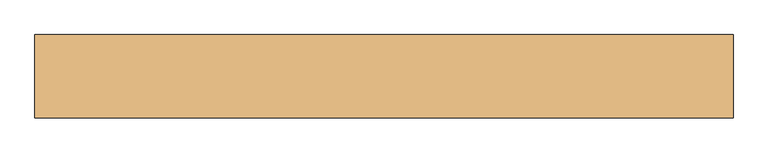
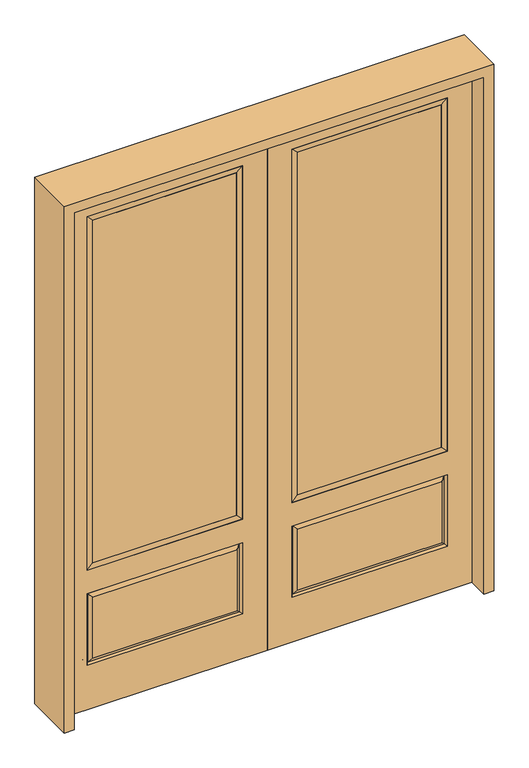
"""IFC4 building model written with IfcOpenShell, lengths in millimetres: door geometry."""

from ifc_helpers import new_model, si_unit, frame, origin, place, context, project, spatial, polyline, outline, extrude, faceted_brep, source, transform, mapped, element, save


def door_d69740e2(model_context):
    return source(origin(), model_context, "Body", "SolidModel", [
        extrude(outline(polyline([(136.525, -20.32), (136.525, 5.08), (777.875, 5.08), (777.875, -20.32), (136.525, -20.32)])), frame((0.0, 0.0, 682.498), z_axis=(0.0, 0.0, 1.0), x_axis=(1.0, 0.0, 0.0)), (0.0, 0.0, 1.0), 1616.202),
        faceted_brep([(796.1661499, -12.7912373, 216.6588501), (778.66875, -22.225, 234.15625), (135.73125, -22.225, 234.15625), (118.2338501, -12.7912373, 216.6588501), (111.125, -22.225, 209.55), (803.275, -22.225, 209.55), (803.275, -22.225, 546.1), (796.1661499, -12.7912373, 538.9911499), (0.0, -22.225, 2438.4), (0.0, -22.225, 0.0), (914.4, -22.225, 0.0), (914.4, -22.225, 2438.4), (111.125, -22.225, 546.1), (111.125, -22.225, 2324.1), (803.275, -22.225, 2324.1), (803.275, -22.225, 657.098), (111.125, -22.225, 657.098), (778.66875, -22.225, 521.49375), (135.73125, -22.225, 521.49375), (118.2338501, -12.7912373, 538.9911499), (914.4, 22.225, 0.0), (914.4, 22.225, 2438.4), (0.0, 22.225, 0.0), (0.0, 22.225, 2438.4), (111.125, 22.225, 657.098), (111.125, 22.225, 2324.1), (803.275, 22.225, 657.098), (803.275, 22.225, 2324.1), (135.73125, 22.225, 234.15625), (135.73125, 22.225, 521.49375), (778.66875, 22.225, 521.49375), (778.66875, 22.225, 234.15625), (803.275, 22.225, 209.55), (803.275, 22.225, 546.1), (111.125, 22.225, 546.1), (111.125, 22.225, 209.55), (118.2338501, 12.7912373, 216.6588501), (796.1661499, 12.7912373, 216.6588501), (118.2338501, 12.7912373, 538.9911499), (796.1661499, 12.7912373, 538.9911499)], [[[0, 1, 2, 3]], [[3, 4, 5, 0]], [[5, 6, 7, 0]], [[8, 9, 10, 11], [4, 12, 6, 5], [13, 14, 15, 16]], [[1, 17, 18, 2]], [[3, 19, 12, 4]], [[2, 18, 19, 3]], [[0, 7, 17, 1]], [[6, 12, 19, 7]], [[7, 19, 18, 17]], [[10, 20, 21, 11]], [[9, 22, 20, 10]], [[8, 23, 22, 9]], [[16, 24, 25, 13]], [[15, 26, 24, 16]], [[14, 27, 26, 15]], [[28, 29, 30, 31]], [[23, 21, 20, 22], [25, 24, 26, 27], [32, 33, 34, 35]], [[32, 35, 36, 37]], [[35, 34, 38, 36]], [[39, 38, 34, 33]], [[37, 39, 33, 32]], [[36, 28, 31, 37]], [[31, 30, 39, 37]], [[30, 29, 38, 39]], [[36, 38, 29, 28]], [[11, 21, 23, 8]], [[13, 25, 27, 14]]]),
        faceted_brep([(803.275, -22.225, 2324.1), (803.275, -22.225, 657.098), (803.275, 22.225, 657.098), (803.275, 22.225, 2324.1), (111.125, -22.225, 657.098), (111.125, 22.225, 657.098), (136.525, 5.08, 682.498), (777.875, 5.08, 682.498), (111.125, -22.225, 2324.1), (111.125, 22.225, 2324.1), (777.875, -20.32, 682.498), (136.525, -20.32, 682.498), (777.875, -20.32, 2298.7), (136.525, -20.32, 2298.7), (777.875, 5.08, 2298.7), (136.525, 5.08, 2298.7)], [[[0, 1, 2, 3]], [[1, 4, 5, 2]], [[2, 5, 6, 7]], [[4, 8, 9, 5]], [[10, 11, 4, 1]], [[12, 10, 1, 0]], [[11, 13, 8, 4]], [[7, 6, 11, 10]], [[14, 7, 10, 12]], [[6, 15, 13, 11]], [[3, 2, 7, 14]], [[5, 9, 15, 6]], [[8, 0, 3, 9]], [[13, 12, 0, 8]], [[15, 14, 12, 13]], [[9, 3, 14, 15]]]),
        extrude(outline(polyline([(-136.525, -20.32), (-777.875, -20.32), (-777.875, 5.08), (-136.525, 5.08), (-136.525, -20.32)])), frame((0.0, 0.0, 682.498), z_axis=(0.0, 0.0, 1.0), x_axis=(1.0, 0.0, 0.0)), (0.0, 0.0, 1.0), 1616.202),
        faceted_brep([(-796.1661499, -12.7912373, 216.6588501), (-118.2338501, -12.7912373, 216.6588501), (-135.73125, -22.225, 234.15625), (-778.66875, -22.225, 234.15625), (-803.275, -22.225, 209.55), (-111.125, -22.225, 209.55), (-796.1661499, -12.7912373, 538.9911499), (-803.275, -22.225, 546.1), (-135.73125, -22.225, 521.49375), (-778.66875, -22.225, 521.49375), (0.0, -22.225, 2438.4), (-914.4, -22.225, 2438.4), (-914.4, -22.225, 0.0), (0.0, -22.225, 0.0), (-111.125, -22.225, 546.1), (-111.125, -22.225, 2324.1), (-111.125, -22.225, 657.098), (-803.275, -22.225, 657.098), (-803.275, -22.225, 2324.1), (-118.2338501, -12.7912373, 538.9911499), (-914.4, 22.225, 2438.4), (-914.4, 22.225, 0.0), (0.0, 22.225, 0.0), (0.0, 22.225, 2438.4), (-111.125, 22.225, 2324.1), (-111.125, 22.225, 657.098), (-803.275, 22.225, 657.098), (-803.275, 22.225, 2324.1), (-803.275, 22.225, 209.55), (-111.125, 22.225, 209.55), (-111.125, 22.225, 546.1), (-803.275, 22.225, 546.1), (-135.73125, 22.225, 234.15625), (-778.66875, 22.225, 234.15625), (-778.66875, 22.225, 521.49375), (-135.73125, 22.225, 521.49375), (-796.1661499, 12.7912373, 216.6588501), (-118.2338501, 12.7912373, 216.6588501), (-118.2338501, 12.7912373, 538.9911499), (-796.1661499, 12.7912373, 538.9911499)], [[[0, 1, 2, 3]], [[1, 0, 4, 5]], [[4, 0, 6, 7]], [[3, 2, 8, 9]], [[10, 11, 12, 13], [5, 4, 7, 14], [15, 16, 17, 18]], [[1, 5, 14, 19]], [[2, 1, 19, 8]], [[0, 3, 9, 6]], [[7, 6, 19, 14]], [[6, 9, 8, 19]], [[12, 11, 20, 21]], [[13, 12, 21, 22]], [[10, 13, 22, 23]], [[16, 15, 24, 25]], [[17, 16, 25, 26]], [[18, 17, 26, 27]], [[23, 22, 21, 20], [28, 29, 30, 31], [24, 27, 26, 25]], [[32, 33, 34, 35]], [[28, 36, 37, 29]], [[29, 37, 38, 30]], [[39, 31, 30, 38]], [[36, 28, 31, 39]], [[37, 36, 33, 32]], [[33, 36, 39, 34]], [[34, 39, 38, 35]], [[37, 32, 35, 38]], [[11, 10, 23, 20]], [[15, 18, 27, 24]]]),
        faceted_brep([(-803.275, -22.225, 2324.1), (-803.275, 22.225, 2324.1), (-803.275, 22.225, 657.098), (-803.275, -22.225, 657.098), (-111.125, 22.225, 657.098), (-111.125, -22.225, 657.098), (-777.875, 5.08, 682.498), (-136.525, 5.08, 682.498), (-111.125, 22.225, 2324.1), (-111.125, -22.225, 2324.1), (-777.875, -20.32, 682.498), (-136.525, -20.32, 682.498), (-777.875, -20.32, 2298.7), (-136.525, -20.32, 2298.7), (-777.875, 5.08, 2298.7), (-136.525, 5.08, 2298.7)], [[[0, 1, 2, 3]], [[3, 2, 4, 5]], [[2, 6, 7, 4]], [[5, 4, 8, 9]], [[10, 3, 5, 11]], [[12, 0, 3, 10]], [[11, 5, 9, 13]], [[6, 10, 11, 7]], [[14, 12, 10, 6]], [[7, 11, 13, 15]], [[1, 14, 6, 2]], [[4, 7, 15, 8]], [[9, 8, 1, 0]], [[13, 9, 0, 12]], [[15, 13, 12, 14]], [[8, 15, 14, 1]]]),
        extrude(outline(polyline([(2482.85, -958.85), (0.0, -958.85), (0.0, -914.4), (2438.4, -914.4), (2438.4, 914.4), (0.0, 914.4), (0.0, 958.85), (2482.85, 958.85), (2482.85, -958.85)])), frame((0.0, -114.3, 0.0), z_axis=(0.0, 1.0, 0.0), x_axis=(0.0, 0.0, 1.0)), (0.0, 0.0, 1.0), 228.6),
    ])


if __name__ == "__main__":
    model = new_model("IFC4")
    model_context = context("Model", 3, world=origin())
    ifc_project = project(units=[si_unit("LENGTHUNIT", "METRE", prefix="MILLI")], contexts=[model_context])
    site = spatial("IfcSite", under=ifc_project)
    building = spatial("IfcBuilding", under=site)
    placement = place(None, origin())
    door_shape = door_d69740e2(model_context)
    element("IfcDoor", 1, at=placement, inside=building, context=model_context, shape_type="MappedRepresentation", body=[
        mapped(door_shape, transform((0.0, 0.0, 0.0), x_axis=(1.0, 0.0, 0.0), y_axis=(0.0, 1.0, 0.0), z_axis=(0.0, 0.0, 1.0))),
    ])
    save(model, "model.ifc")
